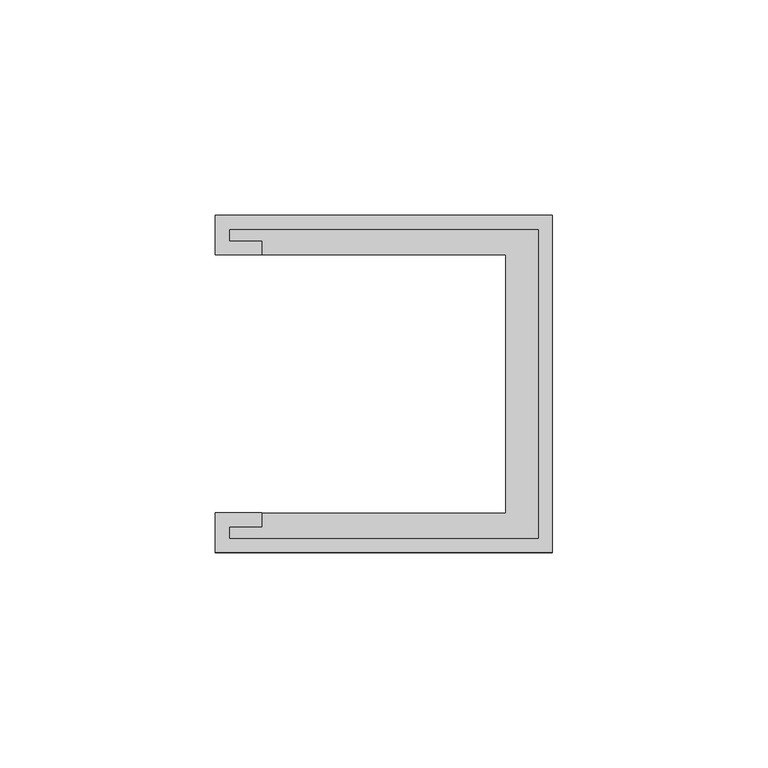
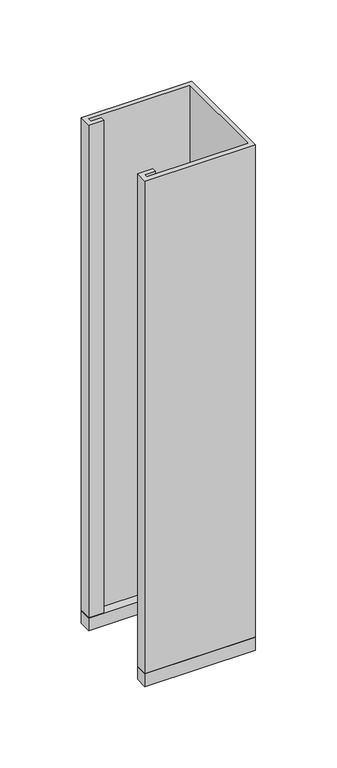
"""IFC4 building model written with IfcOpenShell, lengths in millimetres: furniture geometry."""

from ifc_helpers import new_model, si_unit, frame, origin, place, context, project, spatial, polyline, outline, extrude, source, transform, mapped, element, save


def furniture_daa5dd6a(model_context):
    return source(origin(), model_context, "Body", "SweptSolid", [
        extrude(outline(polyline([(-39.0921875, 39.0921875), (39.0921875, 39.0921875), (39.0921875, -39.0921875), (-39.0921875, -39.0921875), (-39.0921875, -29.9735875), (28.2971875, -29.9735875), (28.2971875, 29.9735875), (-39.0921875, 29.9735875), (-39.0921875, 39.0921875)])), frame((0.0, 0.0, 1050.925), z_axis=(0.0, 0.0, 1.0), x_axis=(1.0, 0.0, 0.0)), (0.0, 0.0, 1.0), 9.525),
        extrude(outline(polyline([(-28.2971875, 29.9735875), (-39.0921875, 29.9735875), (-39.0921875, 39.0921875), (39.0921875, 39.0921875), (39.0921875, -39.0921875), (-39.0921875, -39.0921875), (-39.0921875, -29.9735875), (-28.2971875, -29.9735875), (-28.2971875, -33.1485875), (-35.9171875, -33.1485875), (-35.9171875, -35.9171875), (35.9171875, -35.9171875), (35.9171875, 35.9171875), (-35.9171875, 35.9171875), (-35.9171875, 33.1485875), (-28.2971875, 33.1485875), (-28.2971875, 29.9735875)])), frame((0.0, 0.0, 1060.45), z_axis=(0.0, 0.0, 1.0), x_axis=(1.0, 0.0, 0.0)), (0.0, 0.0, 1.0), 369.7882813),
    ])


if __name__ == "__main__":
    model = new_model("IFC4")
    model_context = context("Model", 3, world=origin())
    ifc_project = project(units=[si_unit("LENGTHUNIT", "METRE", prefix="MILLI")], contexts=[model_context])
    site = spatial("IfcSite", under=ifc_project)
    building = spatial("IfcBuilding", under=site)
    placement = place(None, origin())
    furniture_shape = furniture_daa5dd6a(model_context)
    element("IfcFurniture", 1, at=placement, inside=building, context=model_context, shape_type="MappedRepresentation", body=[
        mapped(furniture_shape, transform((0.0, 0.0, 0.0), x_axis=(1.0, 0.0, 0.0), y_axis=(0.0, 1.0, 0.0), z_axis=(0.0, 0.0, 1.0))),
    ])
    save(model, "model.ifc")
